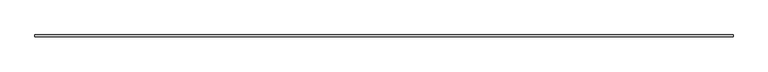
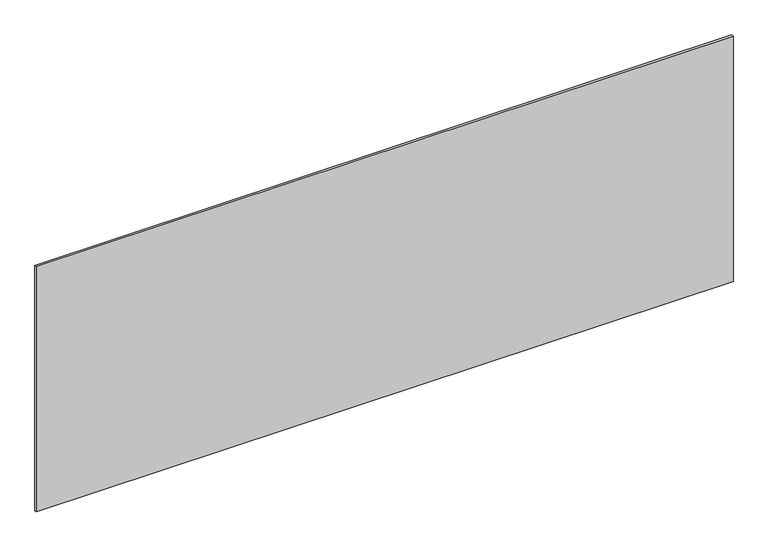
"""IFC4 building model written with IfcOpenShell, lengths in millimetres: plate geometry."""

from ifc_helpers import new_model, si_unit, origin, origin_with_axes, place, context, project, spatial, polyline, outline, extrude, source, transform, mapped, element, save


def plate_a84ddad8(model_context):
    return source(origin(), model_context, "Body", "SweptSolid", [
        extrude(outline(polyline([(1697.5, -5.0), (-1697.5, -5.0), (-1697.5, 5.0), (1697.5, 5.0), (1697.5, -5.0)])), origin_with_axes(), (0.0, 0.0, 1.0), 1264.3262548),
    ])


if __name__ == "__main__":
    model = new_model("IFC4")
    model_context = context("Model", 3, world=origin())
    ifc_project = project(units=[si_unit("LENGTHUNIT", "METRE", prefix="MILLI")], contexts=[model_context])
    site = spatial("IfcSite", under=ifc_project)
    building = spatial("IfcBuilding", under=site)
    placement = place(None, origin())
    plate_shape = plate_a84ddad8(model_context)
    element("IfcPlate", 1, at=placement, inside=building, context=model_context, shape_type="MappedRepresentation", body=[
        mapped(plate_shape, transform((0.0, 0.0, 0.0), x_axis=(1.0, 0.0, 0.0), y_axis=(0.0, 1.0, 0.0), z_axis=(0.0, 0.0, 1.0))),
    ])
    save(model, "model.ifc")
